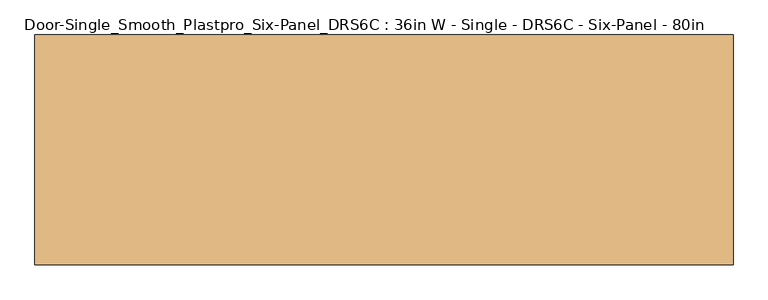
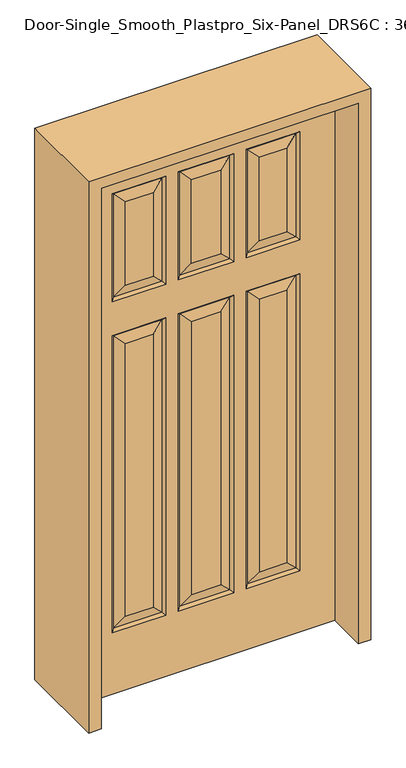
"""IFC4 building model written with IfcOpenShell, lengths in millimetres: door geometry, Door-Single_Smooth_Plastpro_Six-Panel_DRS6C : 36in W - Single - DRS6C - Six-Panel - 80in."""

from ifc_helpers import new_model, si_unit, frame, origin, place, context, project, spatial, polyline, outline, extrude, faceted_brep, source, transform, mapped, element, save


def door_single_smooth_plastpro_six_panel_drs6c_36in_w_single_14762663(model_context):
    return source(origin(), model_context, "Body", "SolidModel", [
        faceted_brep([(151.8552561, 11.6572439, 1338.7080251), (188.9125, 20.6375, 1301.6507812), (188.9125, 20.6375, 276.1257812), (151.8552561, 11.6572439, 239.0685374), (-333.375, 20.6375, 230.0882812), (-324.3947439, 11.6572439, 239.0685374), (-151.8552561, 11.6572439, 239.0685374), (-142.875, 20.6375, 230.0882812), (-151.8552561, 11.6572439, 1338.7080251), (-142.875, 20.6375, 1347.6882812), (-98.425, 20.6375, 230.0882812), (-89.4447439, 11.6572439, 239.0685374), (89.4447439, 11.6572439, 239.0685374), (98.425, 20.6375, 230.0882812), (89.4447439, 11.6572439, 1338.7080251), (98.425, 20.6375, 1347.6882812), (-52.3875, 20.6375, 276.1257812), (52.3875, 20.6375, 276.1257812), (-89.4447439, 11.6572439, 1338.7080251), (-52.3875, 20.6375, 1301.6507812), (-333.375, -20.6375, 230.0882812), (-324.3947439, -11.6572439, 239.0685374), (-324.3947439, -11.6572439, 1338.7080251), (-333.375, -20.6375, 1347.6882812), (-151.8552561, -11.6572439, 239.0685374), (-142.875, -20.6375, 230.0882812), (-142.875, -20.6375, 1347.6882812), (-151.8552561, -11.6572439, 1338.7080251), (324.3947439, -11.6572439, 239.0685374), (151.8552561, -11.6572439, 239.0685374), (142.875, -20.6375, 230.0882812), (333.375, -20.6375, 230.0882812), (287.3375, -20.6375, 276.1257812), (188.9125, -20.6375, 276.1257812), (188.9125, -20.6375, 1301.6507812), (151.8552561, -11.6572439, 1338.7080251), (-89.4447439, -11.6572439, 239.0685374), (-52.3875, -20.6375, 276.1257812), (-52.3875, -20.6375, 1301.6507812), (-89.4447439, -11.6572439, 1338.7080251), (-89.4447439, 11.6572439, 1872.1080251), (89.4447439, 11.6572439, 1872.1080251), (52.3875, 20.6375, 1835.0507812), (-52.3875, 20.6375, 1835.0507813), (-98.425, 20.6375, 1474.6882812), (-89.4447439, 11.6572439, 1483.6685374), (89.4447439, 11.6572439, 1483.6685374), (98.425, 20.6375, 1474.6882812), (-98.425, 20.6375, 1347.6882812), (457.2, 20.6375, 0.0), (457.2, -20.6375, 0.0), (-457.2, -20.6375, 0.0), (-457.2, 20.6375, 0.0), (457.2, 20.6375, 2032.0), (457.2, -20.6375, 2032.0), (-287.3375, -20.6375, 276.1257812), (-188.9125, -20.6375, 276.1257812), (-188.9125, -20.6375, 1301.6507812), (-287.3375, -20.6375, 1301.6507812), (287.3375, -20.6375, 1301.6507812), (52.3875, -20.6375, 276.1257812), (52.3875, -20.6375, 1301.6507812), (188.9125, -20.6375, 1520.7257812), (287.3375, -20.6375, 1520.7257812), (287.3375, -20.6375, 1835.0507813), (188.9125, -20.6375, 1835.0507813), (-287.3375, -20.6375, 1520.7257812), (-188.9125, -20.6375, 1520.7257812), (-188.9125, -20.6375, 1835.0507813), (-287.3375, -20.6375, 1835.0507813), (-52.3875, -20.6375, 1520.7257812), (52.3875, -20.6375, 1520.7257812), (52.3875, -20.6375, 1835.0507812), (-52.3875, -20.6375, 1835.0507813), (-457.2, -20.6375, 2032.0), (142.875, -20.6375, 1347.6882812), (333.375, -20.6375, 1347.6882812), (98.425, -20.6375, 230.0882812), (-98.425, -20.6375, 230.0882812), (-98.425, -20.6375, 1347.6882812), (98.425, -20.6375, 1347.6882812), (333.375, -20.6375, 1474.6882812), (142.875, -20.6375, 1474.6882812), (142.875, -20.6375, 1881.0882813), (333.375, -20.6375, 1881.0882812), (98.425, -20.6375, 1474.6882812), (-98.425, -20.6375, 1474.6882812), (-98.425, -20.6375, 1881.0882812), (98.425, -20.6375, 1881.0882812), (-142.875, -20.6375, 1474.6882813), (-333.375, -20.6375, 1474.6882813), (-333.375, -20.6375, 1881.0882813), (-142.875, -20.6375, 1881.0882812), (-457.2, 20.6375, 2032.0), (188.9125, 20.6375, 1835.0507813), (287.3375, 20.6375, 1835.0507813), (287.3375, 20.6375, 1520.7257812), (188.9125, 20.6375, 1520.7257812), (287.3375, 20.6375, 1301.6507812), (287.3375, 20.6375, 276.1257812), (-287.3375, 20.6375, 1301.6507812), (-188.9125, 20.6375, 1301.6507812), (-188.9125, 20.6375, 276.1257812), (-287.3375, 20.6375, 276.1257812), (-287.3375, 20.6375, 1835.0507813), (-188.9125, 20.6375, 1835.0507813), (-188.9125, 20.6375, 1520.7257812), (-287.3375, 20.6375, 1520.7257812), (52.3875, 20.6375, 1520.7257812), (-52.3875, 20.6375, 1520.7257812), (52.3875, 20.6375, 1301.6507812), (333.375, 20.6375, 1881.0882812), (142.875, 20.6375, 1881.0882812), (142.875, 20.6375, 1474.6882812), (333.375, 20.6375, 1474.6882812), (333.375, 20.6375, 1347.6882812), (142.875, 20.6375, 1347.6882812), (142.875, 20.6375, 230.0882812), (333.375, 20.6375, 230.0882812), (-333.375, 20.6375, 1347.6882812), (-142.875, 20.6375, 1881.0882812), (-333.375, 20.6375, 1881.0882812), (-333.375, 20.6375, 1474.6882812), (-142.875, 20.6375, 1474.6882813), (98.425, 20.6375, 1881.0882812), (-98.425, 20.6375, 1881.0882812), (324.3947439, 11.6572439, 239.0685374), (324.3947439, 11.6572439, 1338.7080251), (-324.3947439, 11.6572439, 1338.7080251), (324.3947439, -11.6572439, 1338.7080251), (89.4447439, -11.6572439, 239.0685374), (89.4447439, -11.6572439, 1338.7080251), (-151.8552561, -11.6572439, 1483.6685374), (-324.3947439, -11.6572439, 1483.6685374), (-324.3947439, -11.6572439, 1872.1080251), (-151.8552561, -11.6572439, 1872.1080251), (324.3947439, -11.6572439, 1483.6685374), (151.8552561, -11.6572439, 1483.6685374), (151.8552561, -11.6572439, 1872.1080251), (324.3947439, -11.6572439, 1872.1080251), (324.3947439, 11.6572439, 1872.1080251), (151.8552561, 11.6572439, 1872.1080251), (151.8552561, 11.6572439, 1483.6685374), (324.3947439, 11.6572439, 1483.6685374), (-151.8552561, 11.6572439, 1872.1080251), (-324.3947439, 11.6572439, 1872.1080251), (-324.3947439, 11.6572439, 1483.6685374), (-151.8552561, 11.6572439, 1483.6685374), (89.4447439, -11.6572439, 1483.6685374), (-89.4447439, -11.6572439, 1483.6685374), (-89.4447439, -11.6572439, 1872.1080251), (89.4447439, -11.6572439, 1872.1080251)], [[[0, 1, 2, 3]], [[4, 5, 6, 7]], [[8, 9, 7, 6]], [[10, 11, 12, 13]], [[14, 15, 13, 12]], [[11, 16, 17, 12]], [[18, 19, 16, 11]], [[20, 21, 22, 23]], [[24, 25, 26, 27]], [[28, 29, 30, 31]], [[29, 28, 32, 33]], [[29, 33, 34, 35]], [[36, 37, 38, 39]], [[40, 41, 42, 43]], [[44, 45, 46, 47]], [[14, 18, 48, 15]], [[49, 50, 51, 52]], [[53, 54, 50, 49]], [[55, 56, 57, 58]], [[33, 32, 59, 34]], [[37, 60, 61, 38]], [[62, 63, 64, 65]], [[66, 67, 68, 69]], [[70, 71, 72, 73]], [[54, 74, 51, 50], [31, 30, 75, 76], [25, 20, 23, 26], [77, 78, 79, 80], [81, 82, 83, 84], [85, 86, 87, 88], [89, 90, 91, 92]], [[74, 93, 52, 51]], [[94, 95, 96, 97]], [[1, 98, 99, 2]], [[100, 101, 102, 103]], [[104, 105, 106, 107]], [[43, 42, 108, 109]], [[19, 110, 17, 16]], [[93, 53, 49, 52], [111, 112, 113, 114], [115, 116, 117, 118], [9, 119, 4, 7], [120, 121, 122, 123], [124, 125, 44, 47], [15, 48, 10, 13]], [[116, 0, 3, 117]], [[117, 3, 126, 118]], [[127, 115, 118, 126]], [[98, 127, 126, 99]], [[3, 2, 99, 126]], [[119, 128, 5, 4]], [[101, 8, 6, 102]], [[5, 103, 102, 6]], [[128, 100, 103, 5]], [[48, 18, 11, 10]], [[110, 14, 12, 17]], [[24, 21, 20, 25]], [[21, 24, 56, 55]], [[56, 24, 27, 57]], [[21, 55, 58, 22]], [[30, 29, 35, 75]], [[28, 31, 76, 129]], [[32, 28, 129, 59]], [[130, 36, 78, 77]], [[78, 36, 39, 79]], [[130, 77, 80, 131]], [[36, 130, 60, 37]], [[60, 130, 131, 61]], [[53, 93, 74, 54]], [[132, 133, 90, 89]], [[133, 132, 67, 66]], [[90, 133, 134, 91]], [[133, 66, 69, 134]], [[91, 134, 135, 92]], [[134, 69, 68, 135]], [[132, 89, 92, 135]], [[67, 132, 135, 68]], [[136, 137, 82, 81]], [[137, 136, 63, 62]], [[82, 137, 138, 83]], [[137, 62, 65, 138]], [[83, 138, 139, 84]], [[138, 65, 64, 139]], [[136, 81, 84, 139]], [[63, 136, 139, 64]], [[23, 22, 27, 26]], [[22, 58, 57, 27]], [[75, 35, 129, 76]], [[35, 34, 59, 129]], [[140, 141, 112, 111]], [[141, 140, 95, 94]], [[112, 141, 142, 113]], [[141, 94, 97, 142]], [[113, 142, 143, 114]], [[142, 97, 96, 143]], [[140, 111, 114, 143]], [[95, 140, 143, 96]], [[144, 145, 121, 120]], [[145, 144, 105, 104]], [[121, 145, 146, 122]], [[145, 104, 107, 146]], [[122, 146, 147, 123]], [[146, 107, 106, 147]], [[144, 120, 123, 147]], [[105, 144, 147, 106]], [[127, 0, 116, 115]], [[0, 127, 98, 1]], [[8, 128, 119, 9]], [[128, 8, 101, 100]], [[148, 149, 86, 85]], [[149, 148, 71, 70]], [[86, 149, 150, 87]], [[149, 70, 73, 150]], [[87, 150, 151, 88]], [[150, 73, 72, 151]], [[148, 85, 88, 151]], [[71, 148, 151, 72]], [[79, 39, 131, 80]], [[39, 38, 61, 131]], [[41, 40, 125, 124]], [[125, 40, 45, 44]], [[40, 43, 109, 45]], [[45, 109, 108, 46]], [[41, 124, 47, 46]], [[42, 41, 46, 108]], [[18, 14, 110, 19]]]),
        extrude(outline(polyline([(2073.275, -501.65), (0.0, -501.65), (0.0, -457.2), (2032.0, -457.2), (2032.0, 457.2), (0.0, 457.2), (0.0, 501.65), (2073.275, 501.65), (2073.275, -501.65)])), frame((0.0, -165.1, 0.0), z_axis=(0.0, 1.0, 0.0), x_axis=(0.0, 0.0, 1.0)), (0.0, 0.0, 1.0), 330.2),
    ])


if __name__ == "__main__":
    model = new_model("IFC4")
    model_context = context("Model", 3, world=origin())
    ifc_project = project(units=[si_unit("LENGTHUNIT", "METRE", prefix="MILLI")], contexts=[model_context])
    site = spatial("IfcSite", under=ifc_project)
    building = spatial("IfcBuilding", under=site)
    placement = place(None, origin())
    door_single_smooth_plastpro_six_panel_drs6c_36in_w_single_shape = door_single_smooth_plastpro_six_panel_drs6c_36in_w_single_14762663(model_context)
    element("IfcDoor", 1, ObjectType="Door-Single_Smooth_Plastpro_Six-Panel_DRS6C : 36in W - Single - DRS6C - Six-Panel - 80in", at=placement, inside=building, context=model_context, shape_type="MappedRepresentation", body=[
        mapped(door_single_smooth_plastpro_six_panel_drs6c_36in_w_single_shape, transform((0.0, 0.0, 0.0), x_axis=(1.0, 0.0, 0.0), y_axis=(0.0, 1.0, 0.0), z_axis=(0.0, 0.0, 1.0))),
    ])
    save(model, "model.ifc")
